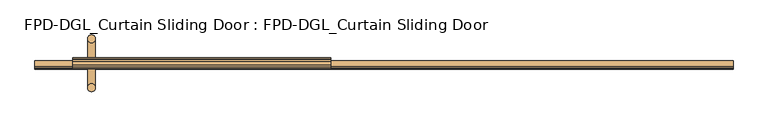
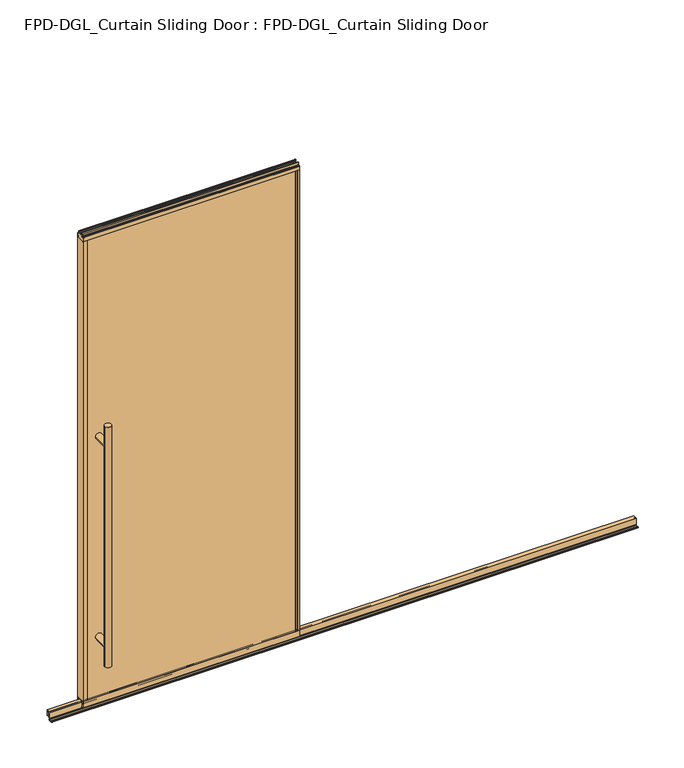
"""IFC4 building model written with IfcOpenShell, lengths in millimetres: door geometry, FPD-DGL_Curtain Sliding Door : FPD-DGL_Curtain Sliding Door."""

import ifcopenshell
import ifcopenshell.guid

model = None  # the IFC model being written
_history = None  # IfcOwnerHistory: only IFC2X3 demands one
_inside = {}  # id of a spatial element -> (the spatial element, [elements in it])
_under = {}  # id of a project, library or spatial element -> (it, [spatial elements below it])
_declared = {}  # id of a project -> (the project, [libraries it declares])
_typed = {}  # id of a type object -> (the type object, [elements of that type])
_made_of = {}  # id of a material, layer set ... -> (it, [elements and type objects made of it])


def new_model(schema):
    """Start an empty IFC model of exactly this schema.

    Asked for "IFC4X3", IfcOpenShell would pick the latest addendum, in which some entities
    have other attributes; the version numbers below select the first issue.
    IFC2X3 requires an IfcOwnerHistory on every rooted entity: one is made here for all.
    """
    global model, _history
    if schema == "IFC4X3":
        model = ifcopenshell.file(schema_version=(4, 3, 0, 0))
    else:
        model = ifcopenshell.file(schema=schema)
    _inside.clear()
    _under.clear()
    _declared.clear()
    _typed.clear()
    _made_of.clear()
    _history = None
    if model.schema == "IFC2X3":
        org = make("IfcOrganization", Name="unknown")
        user = make(
            "IfcPersonAndOrganization",
            ThePerson=make("IfcPerson", FamilyName="unknown"),
            TheOrganization=org,
        )
        app = make(
            "IfcApplication",
            ApplicationDeveloper=org,
            Version="unknown",
            ApplicationFullName="unknown",
            ApplicationIdentifier="unknown",
        )
        _history = make(
            "IfcOwnerHistory",
            OwningUser=user,
            OwningApplication=app,
            ChangeAction="ADDED",
            CreationDate=0,
        )
    return model


def make(cls, **values):
    """One entity of the class cls with the attributes given. An attribute that is None is left unset."""
    return model.create_entity(
        cls, **{name: value for name, value in values.items() if value is not None}
    )


def rooted(cls, **values):
    """An entity with a GlobalId (a new one), such as an element, a storey or a relation."""
    return make(cls, GlobalId=ifcopenshell.guid.new(), OwnerHistory=_history, **values)


def si_unit(unit_type, name, prefix=None):
    """IfcSIUnit, for example si_unit("LENGTHUNIT", "METRE", prefix="MILLI")."""
    return make("IfcSIUnit", UnitType=unit_type, Prefix=prefix, Name=name)


def assignment(units):
    """IfcUnitAssignment: the units of a project."""
    return None if units is None else make("IfcUnitAssignment", Units=units)


def point(xyz):
    """IfcCartesianPoint."""
    return None if xyz is None else make("IfcCartesianPoint", Coordinates=xyz)


def direction(xyz):
    """IfcDirection."""
    return None if xyz is None else make("IfcDirection", DirectionRatios=xyz)


def frame(location, z_axis=None, x_axis=None):
    """IfcAxis2Placement3D, a coordinate frame: its origin and axes. An axis left out is left unset."""
    return make(
        "IfcAxis2Placement3D",
        Location=point(location),
        Axis=direction(z_axis),
        RefDirection=direction(x_axis),
    )


def frame_2d(location, x_axis=None):
    """IfcAxis2Placement2D, a coordinate frame in the plane: its origin and x axis."""
    return make(
        "IfcAxis2Placement2D", Location=point(location), RefDirection=direction(x_axis)
    )


def origin():
    """The frame at (0, 0, 0) with its axes left unset."""
    return frame((0.0, 0.0, 0.0))


def place(relative_to, where):
    """IfcLocalPlacement: puts the frame where relative to a parent placement (None: the world)."""
    return make(
        "IfcLocalPlacement", PlacementRelTo=relative_to, RelativePlacement=where
    )


def context(
    kind, dimensions, precision=None, world=None, true_north=None, identifier=None
):
    """IfcGeometricRepresentationContext, for example the 3D "Model" context."""
    return make(
        "IfcGeometricRepresentationContext",
        ContextIdentifier=identifier,
        ContextType=kind,
        CoordinateSpaceDimension=dimensions,
        Precision=precision,
        WorldCoordinateSystem=world,
        TrueNorth=true_north,
    )


def project(units=None, contexts=None):
    """IfcProject with its units and contexts."""
    return rooted(
        "IfcProject",
        Name="project",
        RepresentationContexts=contexts,
        UnitsInContext=assignment(units),
    )


def spatial(cls, under=None, at=None, **own):
    """A site, building, storey or space (cls), placed at a placement, below another one or the project."""
    s = rooted(cls, ObjectPlacement=at, **own)
    if under is not None:
        _under.setdefault(under.id(), (under, []))[1].append(s)
    return s


def polyline(points):
    """IfcPolyline through the points."""
    return make("IfcPolyline", Points=[point(p) for p in points])


def circle_curve(where, radius):
    """IfcCircle in the frame where."""
    return make("IfcCircle", Position=where, Radius=radius)


def ellipse_curve(where, semi_axis1, semi_axis2):
    """IfcEllipse in the frame where."""
    return make(
        "IfcEllipse", Position=where, SemiAxis1=semi_axis1, SemiAxis2=semi_axis2
    )


def trimmed(basis, trim1, trim2, sense, master):
    """IfcTrimmedCurve: the piece of a basis curve between two trims."""
    return make(
        "IfcTrimmedCurve",
        BasisCurve=basis,
        Trim1=trim1,
        Trim2=trim2,
        SenseAgreement=sense,
        MasterRepresentation=master,
    )


def segment(curve, same_sense, transition):
    """IfcCompositeCurveSegment."""
    return make(
        "IfcCompositeCurveSegment",
        Transition=transition,
        SameSense=same_sense,
        ParentCurve=curve,
    )


def composite_curve(segments, self_intersect=None):
    """IfcCompositeCurve: segments joined end to end."""
    return make("IfcCompositeCurve", Segments=segments, SelfIntersect=self_intersect)


def outline(outer, holes=None, kind="AREA"):
    """IfcArbitraryClosedProfileDef: a profile drawn as a closed curve; with holes, ...WithVoids."""
    if holes is None:
        return make("IfcArbitraryClosedProfileDef", ProfileType=kind, OuterCurve=outer)
    return make(
        "IfcArbitraryProfileDefWithVoids",
        ProfileType=kind,
        OuterCurve=outer,
        InnerCurves=holes,
    )


def extrude(swept, where, along, depth):
    """IfcExtrudedAreaSolid: the profile swept, set in the frame where, extruded along a direction by depth."""
    return make(
        "IfcExtrudedAreaSolid",
        SweptArea=swept,
        Position=where,
        ExtrudedDirection=direction(along),
        Depth=depth,
    )


def shape(context_of_items, identifier, shape_type, items):
    """IfcShapeRepresentation: the items that make up one representation, for example the "Body"."""
    return make(
        "IfcShapeRepresentation",
        ContextOfItems=context_of_items,
        RepresentationIdentifier=identifier,
        RepresentationType=shape_type,
        Items=items,
    )


def source(mapping_origin, context_of_items, identifier, shape_type, items):
    """IfcRepresentationMap: a shape defined once, which mapped items show again and again."""
    return make(
        "IfcRepresentationMap",
        MappingOrigin=mapping_origin,
        MappedRepresentation=shape(context_of_items, identifier, shape_type, items),
    )


def transform(
    local_origin,
    x_axis=None,
    y_axis=None,
    z_axis=None,
    scale=None,
    scale2=None,
    scale3=None,
    uniform=True,
):
    """IfcCartesianTransformationOperator3D, or its non-uniform kind. x_axis, y_axis, z_axis: its Axis1, 2, 3."""
    if uniform:
        return make(
            "IfcCartesianTransformationOperator3D",
            Axis1=direction(x_axis),
            Axis2=direction(y_axis),
            LocalOrigin=point(local_origin),
            Scale=scale,
            Axis3=direction(z_axis),
        )
    return make(
        "IfcCartesianTransformationOperator3DnonUniform",
        Axis1=direction(x_axis),
        Axis2=direction(y_axis),
        LocalOrigin=point(local_origin),
        Scale=scale,
        Axis3=direction(z_axis),
        Scale2=scale2,
        Scale3=scale3,
    )


def mapped(mapping_source, mapping_target):
    """IfcMappedItem: shows the shape of a source again, moved by a transform."""
    return make(
        "IfcMappedItem", MappingSource=mapping_source, MappingTarget=mapping_target
    )


def made_of(thing, what):
    """Note that an element or type object is made of a material, layer set ...; save() writes the relation."""
    if what is not None:
        _made_of.setdefault(what.id(), (what, []))[1].append(thing)
    return thing


def element(
    cls,
    number,
    at=None,
    inside=None,
    cuts=None,
    type_object=None,
    material=None,
    context=None,
    identifier="Body",
    shape_type=None,
    held_by="IfcProductDefinitionShape",
    body=None,
    shapes=None,
    **own,
):
    """One element of the class cls, such as IfcWall. Its Tag is "e" and its number.

    at: its placement. inside: the storey or other place that contains it. cuts: it is an
    opening in that element (IfcRelVoidsElement). A single representation is given by context,
    identifier, shape_type and body (its items); several are given by shapes. held_by: the class
    of the entity that holds the representations. save() writes the other relations.
    """
    e = rooted(cls, Tag="e%d" % number, ObjectPlacement=at, **own)
    if body is not None:
        shapes = [shape(context, identifier, shape_type, body)]
    if shapes is not None:
        e.Representation = make(held_by, Representations=shapes)
    if inside is not None:
        _inside.setdefault(inside.id(), (inside, []))[1].append(e)
    if cuts is not None:
        rooted(
            "IfcRelVoidsElement", RelatingBuildingElement=cuts, RelatedOpeningElement=e
        )
    if type_object is not None:
        _typed.setdefault(type_object.id(), (type_object, []))[1].append(e)
    return made_of(e, material)


def aggregate(whole, parts):
    """IfcRelAggregates: a whole, such as a stair, and the parts it consists of."""
    return rooted("IfcRelAggregates", RelatingObject=whole, RelatedObjects=parts)


def save(model, path):
    """Write the relations noted so far, then the file.

    IfcRelAggregates (storeys below a building ...), IfcRelContainedInSpatialStructure (elements
    in a storey), IfcRelDefinesByType, IfcRelAssociatesMaterial and IfcRelDeclares: one each for
    every whole, place, type object, material and project.
    """
    for whole, parts in _under.values():
        aggregate(whole, parts)
    for where, things in _inside.values():
        rooted(
            "IfcRelContainedInSpatialStructure",
            RelatedElements=things,
            RelatingStructure=where,
        )
    for kind, things in _typed.values():
        rooted("IfcRelDefinesByType", RelatedObjects=things, RelatingType=kind)
    for what, things in _made_of.values():
        rooted("IfcRelAssociatesMaterial", RelatedObjects=things, RelatingMaterial=what)
    for by, libraries in _declared.values():
        rooted("IfcRelDeclares", RelatingContext=by, RelatedDefinitions=libraries)
    model.write(path)


def plane_surface(at):
    """IfcPlane: the flat surface through the origin of the frame at, square to its z axis."""
    return make("IfcPlane", Position=at)


def cylinder_surface(at, radius):
    """IfcCylindricalSurface: all points at the distance radius from the z axis of the frame at."""
    return make("IfcCylindricalSurface", Position=at, Radius=radius)


def advanced_brep(points, edges, surfaces, faces):
    """IfcAdvancedBrep: a solid bounded by faces that lie on surfaces and meet in shared edges.

    An edge is (start, end): straight between two places in points (the first is 0);
    or (start, end, curve); or (start, end, curve, False) where it runs against its curve.
    A face is (place in surfaces, loops), or (place, loops, False) where it looks against
    its surface's normal. A loop lists edges by number (the first is 1), with a minus sign
    where the edge is run from its end to its start. The first loop is the outer one.
    """
    corners = [point(p) for p in points]
    vertices = [make("IfcVertexPoint", VertexGeometry=c) for c in corners]
    made = []
    for start, end, *more in edges:
        made.append(
            make(
                "IfcEdgeCurve",
                EdgeStart=vertices[start],
                EdgeEnd=vertices[end],
                EdgeGeometry=more[0] if more else make("IfcPolyline", Points=[corners[start], corners[end]]),
                SameSense=more[1] if len(more) > 1 else True,
            )
        )
    hull = []
    for where, loops, *sense in faces:
        bounds = []
        for j, loop in enumerate(loops):
            ring = [make("IfcOrientedEdge", EdgeElement=made[abs(k) - 1], Orientation=k > 0) for k in loop]
            bounds.append(
                make(
                    "IfcFaceOuterBound" if j == 0 else "IfcFaceBound",
                    Bound=make("IfcEdgeLoop", EdgeList=ring),
                    Orientation=True,
                )
            )
        hull.append(make("IfcAdvancedFace", Bounds=bounds, FaceSurface=surfaces[where], SameSense=sense[0] if sense else True))
    return make("IfcAdvancedBrep", Outer=make("IfcClosedShell", CfsFaces=hull))


def fpd_dgl_curtain_sliding_door_fpd_dgl_curtain_sliding_door_c7055b7d(model_context):
    return source(origin(), model_context, "Body", "SolidModel", [
        advanced_brep(
        [(-428.625, -35.128049, 1473.2), (-460.375, -35.128049, 1473.2), (-428.625, 162.0969566, 1473.2), (-460.375, 162.0969566, 1473.2), (-428.625, -35.128049, 254.0), (-460.375, -35.128049, 254.0), (-428.625, 162.0969566, 254.0), (-460.375, 162.0969566, 254.0), (-428.625, -35.128049, 1371.6), (-460.375, -35.128049, 1371.6), (-460.375, -35.128049, 355.6), (-428.625, -35.128049, 355.6), (-428.625, 162.0969566, 1371.6), (-428.625, 162.0969566, 355.6), (-460.375, 162.0969566, 355.6), (-460.375, 162.0969566, 1371.6)],
        [
            (0, 1, circle_curve(frame((-444.5, -35.128049, 1473.2), z_axis=(0.0, 0.0, 1.0), x_axis=(-1.0, 0.0, 0.0)), 15.875)),
            (1, 0, circle_curve(frame((-444.5, -35.128049, 1473.2), z_axis=(0.0, 0.0, 1.0), x_axis=(-1.0, 0.0, 0.0)), 15.875)),
            (2, 3, circle_curve(frame((-444.5, 162.0969566, 1473.2), z_axis=(0.0, 0.0, 1.0), x_axis=(-1.0, 0.0, 0.0)), 15.875)),
            (3, 2, circle_curve(frame((-444.5, 162.0969566, 1473.2), z_axis=(0.0, 0.0, 1.0), x_axis=(-1.0, 0.0, 0.0)), 15.875)),
            (4, 5, circle_curve(frame((-444.5, -35.128049, 254.0), z_axis=(0.0, 0.0, -1.0), x_axis=(-1.0, 0.0, 0.0)), 15.875)),
            (5, 4, circle_curve(frame((-444.5, -35.128049, 254.0), z_axis=(0.0, 0.0, -1.0), x_axis=(-1.0, 0.0, 0.0)), 15.875)),
            (6, 7, circle_curve(frame((-444.5, 162.0969566, 254.0), z_axis=(0.0, 0.0, -1.0), x_axis=(-1.0, 0.0, 0.0)), 15.875)),
            (7, 6, circle_curve(frame((-444.5, 162.0969566, 254.0), z_axis=(0.0, 0.0, -1.0), x_axis=(-1.0, 0.0, 0.0)), 15.875)),
            (0, 8),
            (8, 9, ellipse_curve(frame((-444.5, -35.128049, 1371.6), z_axis=(0.0, -0.7071067811865525, 0.7071067811865427), x_axis=(0.0, 0.7071067811865427, 0.7071067811865523)), 22.4506403, 15.875)),
            (9, 1),
            (5, 10),
            (10, 11, ellipse_curve(frame((-444.5, -35.128049, 355.6), z_axis=(0.0, -0.7071067811865525, -0.7071067811865427), x_axis=(0.0, -0.7071067811865427, 0.7071067811865523)), 22.4506403, 15.875)),
            (11, 4),
            (8, 11),
            (11, 10, ellipse_curve(frame((-444.5, -35.128049, 355.6), z_axis=(0.0, -0.7071067811865427, 0.7071067811865525), x_axis=(0.0, 0.7071067811865525, 0.7071067811865425)), 22.4506403, 15.875)),
            (10, 9),
            (9, 8, ellipse_curve(frame((-444.5, -35.128049, 1371.6), z_axis=(0.0, -0.7071067811865427, -0.7071067811865525), x_axis=(0.0, -0.7071067811865525, 0.7071067811865425)), 22.4506403, 15.875)),
            (2, 12),
            (12, 13),
            (13, 6),
            (7, 14),
            (14, 15),
            (15, 3),
            (15, 12, ellipse_curve(frame((-444.5, 162.0969566, 1371.6), z_axis=(0.0, 0.7071067811865427, 0.7071067811865525), x_axis=(0.0, -0.7071067811865525, 0.7071067811865425)), 22.4506403, 15.875)),
            (13, 14, ellipse_curve(frame((-444.5, 162.0969566, 355.6), z_axis=(0.0, 0.7071067811865427, -0.7071067811865525), x_axis=(0.0, 0.7071067811865525, 0.7071067811865425)), 22.4506403, 15.875)),
            (12, 15, ellipse_curve(frame((-444.5, 162.0969566, 1371.6), z_axis=(0.0, 0.7071067811865525, -0.7071067811865427), x_axis=(0.0, 0.7071067811865427, 0.7071067811865523)), 22.4506403, 15.875)),
            (14, 13, ellipse_curve(frame((-444.5, 162.0969566, 355.6), z_axis=(0.0, 0.7071067811865525, 0.7071067811865427), x_axis=(0.0, -0.7071067811865427, 0.7071067811865523)), 22.4506403, 15.875)),
            (9, 15),
            (12, 8),
            (10, 14),
            (13, 11),
        ],
        [
            plane_surface(frame((-345.3925993, 63.5, 1473.2), z_axis=(0.0, 0.0, 1.0), x_axis=(0.0, -1.0, 0.0))),
            plane_surface(frame((-345.3925993, 63.5, 254.0), z_axis=(0.0, 0.0, -1.0), x_axis=(0.0, -1.0, 0.0))),
            cylinder_surface(frame((-444.5, -35.128049, 1473.2), z_axis=(0.0, 0.0, 1.0), x_axis=(-1.0, 0.0, 0.0)), 15.875),
            cylinder_surface(frame((-444.5, 162.0969566, 1473.2), z_axis=(0.0, 0.0, 1.0), x_axis=(-1.0, 0.0, 0.0)), 15.875),
            cylinder_surface(frame((-444.5, 162.0969566, 1371.6), z_axis=(0.0, -1.0, 0.0), x_axis=(1.0, 0.0, 0.0)), 15.875),
            cylinder_surface(frame((-444.5, 63.5, 355.6), z_axis=(0.0, -1.0, 0.0), x_axis=(1.0, 0.0, 0.0)), 15.875),
        ],
        [
            (0, [[1, 2]]),
            (0, [[3, 4]]),
            (1, [[5, 6]]),
            (1, [[7, 8]]),
            (2, [[-1, 9, 10, 11]]),
            (2, [[-6, 12, 13, 14]]),
            (2, [[15, 16, 17, 18]]),
            (2, [[-2, -11, -17, -12, -5, -14, -15, -9]]),
            (3, [[-3, 19, 20, 21, -8, 22, 23, 24]]),
            (3, [[-4, -24, 25, -19]]),
            (3, [[-7, -21, 26, -22]]),
            (3, [[-20, 27, -23, 28]]),
            (4, [[29, -27, 30, -18]]),
            (4, [[-29, -10, -30, -25]]),
            (5, [[31, -26, 32, -13]]),
            (5, [[-31, -16, -32, -28]]),
        ],
    ),
        extrude(outline(composite_curve([segment(trimmed(circle_curve(frame_2d((58.5185794, 1.1714386)), 1.1684), [point((59.6869794, 1.1714386))], [point((58.5185794, 0.0030387))], False, "CARTESIAN"), True, "CONTINUOUS"), segment(polyline([(58.5185794, 0.0030387), (40.8401797, 0.0030387)]), True, "CONTINUOUS"), segment(trimmed(circle_curve(frame_2d((40.8401797, 1.1714386)), 1.1684), [point((40.8401797, 0.0030387))], [point((39.6717797, 1.1714386))], False, "CARTESIAN"), True, "CONTINUOUS"), segment(polyline([(39.6717797, 1.1714386), (39.6717797, 4.0416386)]), True, "CONTINUOUS"), segment(trimmed(circle_curve(frame_2d((40.8401797, 4.0416386)), 1.1684), [point((39.6717797, 4.0416386))], [point((40.8401797, 5.2100386))], False, "CARTESIAN"), True, "CONTINUOUS"), segment(polyline([(40.8401797, 5.2100386), (43.4288569, 5.2100386), (43.4288569, 4.4232339), (40.4337797, 4.4232339), (40.4337797, 0.7650387), (58.9122794, 0.7650387), (58.9122794, 4.3138948), (56.2262294, 4.3138948), (56.2262294, 5.1338386), (58.9336188, 5.1338386)]), True, "CONTINUOUS"), segment(trimmed(circle_curve(frame_2d((58.5185794, 4.0416386)), 1.1684), [point((58.9336188, 5.1338386))], [point((59.6869794, 4.0416386))], False, "CARTESIAN"), True, "CONTINUOUS"), segment(polyline([(59.6869794, 4.0416386), (59.6869794, 1.1714386)]), True, "CONTINUOUS")], self_intersect=False)), frame((-673.1, 0.0, 0.0), z_axis=(1.0, 0.0, 0.0), x_axis=(0.0, 1.0, 0.0)), (0.0, 0.0, 1.0), 2819.4),
        extrude(outline(composite_curve([segment(polyline([(74.4646139, 41.6030387), (74.4646139, 11.6839647), (73.4646139, 11.6839647), (73.4646139, 33.5017657), (72.0747815, 33.5017657), (72.0747815, 34.3040626), (73.4646139, 34.3040626), (73.4646139, 35.6040627), (62.6646138, 35.6040627), (62.6646138, 34.3040626), (64.0544462, 34.3040626), (64.0544462, 33.5017657), (62.6646138, 33.5017657), (62.6646138, 11.6839647), (61.0646135, 11.6839647), (61.0646135, 39.1243868)]), True, "CONTINUOUS"), segment(trimmed(circle_curve(frame_2d((60.0857402, 39.1243868)), 0.9788733), [point((61.0646135, 39.1243868))], [point((60.0857402, 40.1032601))], True, "CARTESIAN"), True, "CONTINUOUS"), segment(polyline([(60.0857402, 40.1032601), (54.9969627, 40.1032601)]), True, "CONTINUOUS"), segment(trimmed(circle_curve(frame_2d((54.9969627, 39.1709995)), 0.9322606), [point((54.9969627, 40.1032601))], [point((54.064702, 39.1709995))], True, "CARTESIAN"), True, "CONTINUOUS"), segment(polyline([(54.064702, 39.1709995), (54.064702, 11.6839647), (52.5646141, 11.6839647), (52.5646141, 41.6030387), (74.4646139, 41.6030387)]), True, "CONTINUOUS")], self_intersect=False)), frame((-673.1, 0.0, 0.0), z_axis=(1.0, 0.0, 0.0), x_axis=(0.0, 1.0, 0.0)), (0.0, 0.0, 1.0), 2819.4),
        extrude(outline(composite_curve([segment(polyline([(49.1758097, 48.6471016), (77.8241903, 48.6471016), (77.8241903, 47.6299627), (76.4571771, 47.6299627), (76.4571771, 41.3613764)]), True, "CONTINUOUS"), segment(trimmed(circle_curve(frame_2d((78.772652, 41.3613764)), 2.3154748), [point((76.4571771, 41.3613764))], [point((78.772652, 39.0459016))], True, "CARTESIAN"), True, "CONTINUOUS"), segment(polyline([(78.772652, 39.0459016), (83.7603754, 39.0522555)]), True, "CONTINUOUS"), segment(trimmed(circle_curve(frame_2d((83.662177, 39.8079016)), 0.762), [point((83.7603754, 39.0522555))], [point((84.424177, 39.8079016))], True, "CARTESIAN"), True, "CONTINUOUS"), segment(polyline([(84.424177, 39.8079016), (84.424177, 48.6471016), (85.7241745, 48.6471016), (85.7241745, 19.0059017), (76.6027622, 19.0059017), (76.6027622, 15.875), (74.6984721, 15.875), (74.6984721, 47.0470737), (52.3015279, 47.0470737), (52.3015279, 15.875), (50.3972378, 15.875), (50.3972378, 19.0059017), (41.2758255, 19.0059017), (41.2758255, 48.6471016), (42.575823, 48.6471016), (42.575823, 39.8079016)]), True, "CONTINUOUS"), segment(trimmed(circle_curve(frame_2d((43.337823, 39.8079016)), 0.762), [point((42.575823, 39.8079016))], [point((43.2396246, 39.0522555))], True, "CARTESIAN"), True, "CONTINUOUS"), segment(polyline([(43.2396246, 39.0522555), (48.227348, 39.0459016)]), True, "CONTINUOUS"), segment(trimmed(circle_curve(frame_2d((48.227348, 41.3613764)), 2.3154748), [point((48.227348, 39.0459016))], [point((50.5428229, 41.3613764))], True, "CARTESIAN"), True, "CONTINUOUS"), segment(polyline([(50.5428229, 41.3613764), (50.5428229, 47.6299627), (49.1758097, 47.6299627), (49.1758097, 48.6471016)]), True, "CONTINUOUS")], self_intersect=False)), frame((-520.7, 0.0, 0.0), z_axis=(1.0, 0.0, 0.0), x_axis=(0.0, 1.0, 0.0)), (0.0, 0.0, 1.0), 1041.4),
        extrude(outline(composite_curve([segment(polyline([(55.1000175, 2419.5752356), (55.1000175, 2417.5752396), (51.5000248, 2417.5752396), (51.5000248, 2409.0752566)]), True, "CONTINUOUS"), segment(trimmed(circle_curve(frame_2d((52.0000238, 2409.0752566)), 0.499999), [point((51.5000248, 2409.0752566))], [point((52.0000238, 2408.5752576))], True, "CARTESIAN"), True, "CONTINUOUS"), segment(polyline([(52.0000238, 2408.5752576), (74.9999762, 2408.5752576)]), True, "CONTINUOUS"), segment(trimmed(circle_curve(frame_2d((74.9999762, 2409.0752566)), 0.499999), [point((74.9999762, 2408.5752576))], [point((75.4999752, 2409.0752566))], True, "CARTESIAN"), True, "CONTINUOUS"), segment(polyline([(75.4999752, 2409.0752566), (75.4999752, 2417.5752396), (71.8999825, 2417.5752396), (71.8999825, 2419.5752356), (76.9046588, 2419.5752356)]), True, "CONTINUOUS"), segment(trimmed(circle_curve(frame_2d((76.9046588, 2418.9799231)), 0.5953125), [point((76.9046588, 2419.5752356))], [point((77.4999713, 2418.9799231))], False, "CARTESIAN"), True, "CONTINUOUS"), segment(polyline([(77.4999713, 2418.9799231), (77.4999713, 2407.6119214)]), True, "CONTINUOUS"), segment(trimmed(circle_curve(frame_2d((79.4190752, 2407.6119214)), 1.919104), [point((77.4999713, 2407.6119214))], [point((79.4190752, 2405.6928175))], True, "CARTESIAN"), True, "CONTINUOUS"), segment(polyline([(79.4190752, 2405.6928175), (84.9249567, 2405.6928175)]), True, "CONTINUOUS"), segment(trimmed(circle_curve(frame_2d((84.9249567, 2404.8928191)), 0.7999984), [point((84.9249567, 2405.6928175))], [point((85.7249551, 2404.8928191))], False, "CARTESIAN"), True, "CONTINUOUS"), segment(polyline([(85.7249551, 2404.8928191), (85.7249551, 2386.0078176), (84.4249577, 2386.0078176), (84.4249577, 2396.1077976)]), True, "CONTINUOUS"), segment(trimmed(circle_curve(frame_2d((83.9249587, 2396.1077976)), 0.499999), [point((84.4249577, 2396.1077976))], [point((83.9249587, 2396.6077966))], True, "CARTESIAN"), True, "CONTINUOUS"), segment(polyline([(83.9249587, 2396.6077966), (77.8249714, 2396.6077966), (77.8249714, 2386.0078176), (49.1750289, 2386.0078176), (49.1750289, 2396.6077966), (43.0750413, 2396.6077966)]), True, "CONTINUOUS"), segment(trimmed(circle_curve(frame_2d((43.0750413, 2396.1077976)), 0.499999), [point((43.0750413, 2396.6077966))], [point((42.5750423, 2396.1077976))], True, "CARTESIAN"), True, "CONTINUOUS"), segment(polyline([(42.5750423, 2396.1077976), (42.5750423, 2386.0078176), (41.2750446, 2386.0078176), (41.2750446, 2404.8928191)]), True, "CONTINUOUS"), segment(trimmed(circle_curve(frame_2d((42.0750432, 2404.8928191)), 0.7999985), [point((41.2750446, 2404.8928191))], [point((42.0750432, 2405.6928176))], False, "CARTESIAN"), True, "CONTINUOUS"), segment(polyline([(42.0750432, 2405.6928176), (47.5809248, 2405.6928176)]), True, "CONTINUOUS"), segment(trimmed(circle_curve(frame_2d((47.5809248, 2407.6119216)), 1.919104), [point((47.5809248, 2405.6928176))], [point((49.5000287, 2407.6119216))], True, "CARTESIAN"), True, "CONTINUOUS"), segment(polyline([(49.5000287, 2407.6119216), (49.5000287, 2418.9799231)]), True, "CONTINUOUS"), segment(trimmed(circle_curve(frame_2d((50.0953412, 2418.9799231)), 0.5953125), [point((49.5000287, 2418.9799231))], [point((50.0953412, 2419.5752356))], False, "CARTESIAN"), True, "CONTINUOUS"), segment(polyline([(50.0953412, 2419.5752356), (55.1000175, 2419.5752356)]), True, "CONTINUOUS")], self_intersect=False)), frame((-520.7, 0.0, 0.0), z_axis=(1.0, 0.0, 0.0), x_axis=(0.0, 1.0, 0.0)), (0.0, 0.0, 1.0), 1041.4),
        extrude(outline(polyline([(510.7631511, 84.4265993), (510.7631511, 77.825), (-510.7631511, 77.825), (-510.7631511, 84.4265993), (510.7631511, 84.4265993)])), frame((0.0, 0.0, 39.1580021), z_axis=(0.0, 0.0, 1.0), x_axis=(1.0, 0.0, 0.0)), (0.0, 0.0, 1.0), 2357.1832522),
        extrude(outline(polyline([(-510.7631511, 49.175), (510.7631511, 49.175), (510.7631511, 42.5734007), (-510.7631511, 42.5734007), (-510.7631511, 49.175)])), frame((0.0, 0.0, 39.1580021), z_axis=(0.0, 0.0, 1.0), x_axis=(1.0, 0.0, 0.0)), (0.0, 0.0, 1.0), 2357.1832522),
        extrude(outline(composite_curve([segment(polyline([(-520.7, 85.725), (-500.1631511, 85.725), (-500.1631511, 84.4265993), (-510.2551511, 84.4265993)]), True, "CONTINUOUS"), segment(trimmed(circle_curve(frame_2d((-510.2551511, 83.9185993)), 0.508), [point((-510.2551511, 84.4265993))], [point((-510.7631511, 83.9185993))], True, "CARTESIAN"), True, "CONTINUOUS"), segment(polyline([(-510.7631511, 83.9185993), (-510.7631511, 81.9404), (-511.9631509, 81.9404), (-511.9631509, 84.4202), (-518.8965999, 84.4202), (-518.8965999, 72.745198), (-511.9631509, 72.745198), (-511.9631509, 77.825), (-500.1631511, 77.825), (-500.1631511, 49.175), (-511.9631509, 49.175), (-511.9631509, 54.254802), (-518.8965999, 54.254802), (-518.8965999, 42.5798), (-511.9631509, 42.5798), (-511.9631509, 45.0596), (-510.7631511, 45.0596), (-510.7631511, 43.1025937)]), True, "CONTINUOUS"), segment(trimmed(circle_curve(frame_2d((-510.2339574, 43.1025937)), 0.5291937), [point((-510.7631511, 43.1025937))], [point((-510.2339574, 42.5734))], True, "CARTESIAN"), True, "CONTINUOUS"), segment(polyline([(-510.2339574, 42.5734), (-500.1631511, 42.5734), (-500.1631511, 41.275), (-520.7, 41.275), (-520.7, 85.725)]), True, "CONTINUOUS")], self_intersect=False)), frame((0.0, 0.0, 48.6471016), z_axis=(0.0, 0.0, 1.0), x_axis=(1.0, 0.0, 0.0)), (0.0, 0.0, 1.0), 2337.360716),
        extrude(outline(composite_curve([segment(polyline([(520.7, 85.725), (520.7, 41.275), (500.163151, 41.275), (500.163151, 42.5734), (510.2339574, 42.5734)]), True, "CONTINUOUS"), segment(trimmed(circle_curve(frame_2d((510.2339574, 43.1025937)), 0.5291937), [point((510.2339574, 42.5734))], [point((510.7631511, 43.1025937))], True, "CARTESIAN"), True, "CONTINUOUS"), segment(polyline([(510.7631511, 43.1025937), (510.7631511, 45.0596), (511.9631509, 45.0596), (511.9631509, 42.5798), (518.8965999, 42.5798), (518.8965999, 54.254802), (511.9631509, 54.254802), (511.9631509, 49.175), (500.1631511, 49.175), (500.1631511, 77.825), (511.9631509, 77.825), (511.9631509, 72.745198), (518.8965999, 72.745198), (518.8965999, 84.4202), (511.9631509, 84.4202), (511.9631509, 81.9404), (510.7631511, 81.9404), (510.7631511, 83.9185993)]), True, "CONTINUOUS"), segment(trimmed(circle_curve(frame_2d((510.2551511, 83.9185993)), 0.508), [point((510.7631511, 83.9185993))], [point((510.2551511, 84.4265993))], True, "CARTESIAN"), True, "CONTINUOUS"), segment(polyline([(510.2551511, 84.4265993), (500.1631511, 84.4265993), (500.1631511, 85.725), (520.7, 85.725)]), True, "CONTINUOUS")], self_intersect=False)), frame((0.0, 0.0, 48.6471016), z_axis=(0.0, 0.0, 1.0), x_axis=(1.0, 0.0, 0.0)), (0.0, 0.0, 1.0), 2337.360716),
    ])


if __name__ == "__main__":
    model = new_model("IFC4")
    model_context = context("Model", 3, world=origin())
    ifc_project = project(units=[si_unit("LENGTHUNIT", "METRE", prefix="MILLI")], contexts=[model_context])
    site = spatial("IfcSite", under=ifc_project)
    building = spatial("IfcBuilding", under=site)
    placement = place(None, origin())
    fpd_dgl_curtain_sliding_door_fpd_dgl_curtain_sliding_door_shape = fpd_dgl_curtain_sliding_door_fpd_dgl_curtain_sliding_door_c7055b7d(model_context)
    element("IfcDoor", 1, ObjectType="FPD-DGL_Curtain Sliding Door : FPD-DGL_Curtain Sliding Door", at=placement, inside=building, context=model_context, shape_type="MappedRepresentation", body=[
        mapped(fpd_dgl_curtain_sliding_door_fpd_dgl_curtain_sliding_door_shape, transform((0.0, 0.0, 0.0), x_axis=(1.0, 0.0, 0.0), y_axis=(0.0, 1.0, 0.0), z_axis=(0.0, 0.0, 1.0))),
    ])
    save(model, "model.ifc")
